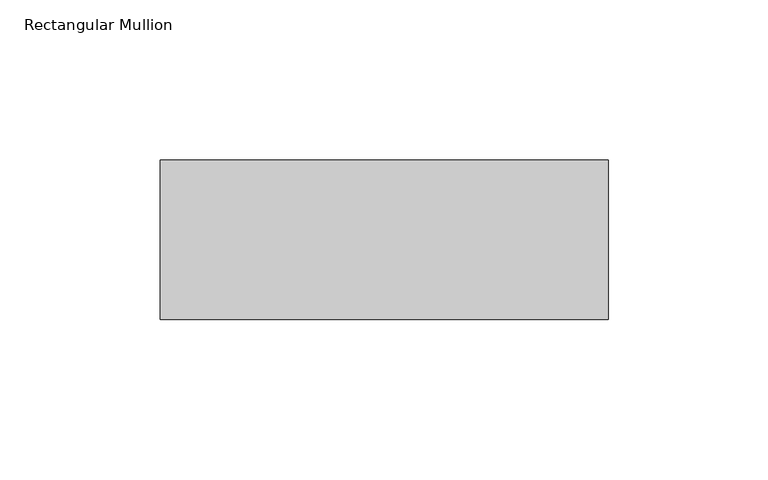
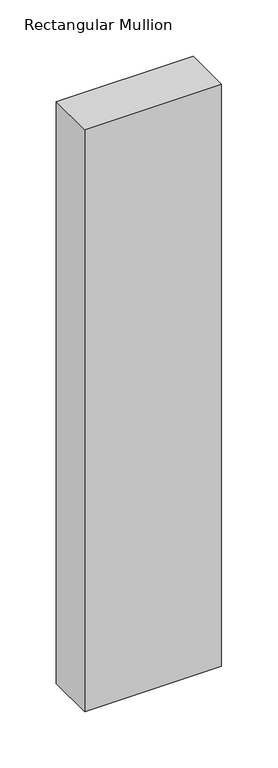
"""IFC4 building model written with IfcOpenShell, lengths in millimetres: member geometry, Rectangular Mullion."""

from ifc_helpers import new_model, si_unit, frame, origin, place, context, project, spatial, polyline, outline, extrude, source, transform, mapped, element, save


def rectangular_mullion_286b51f8(model_context):
    return source(origin(), model_context, "Body", "SweptSolid", [
        extrude(outline(polyline([(0.0, 59.0), (0.0, 9.0), (-140.0, 9.0), (-140.0, 59.0), (0.0, 59.0)])), frame((0.0, 0.0, -629.8333334), z_axis=(0.0, 0.0, 1.0), x_axis=(1.0, 0.0, 0.0)), (0.0, 0.0, 1.0), 629.8333334),
    ])


if __name__ == "__main__":
    model = new_model("IFC4")
    model_context = context("Model", 3, world=origin())
    ifc_project = project(units=[si_unit("LENGTHUNIT", "METRE", prefix="MILLI")], contexts=[model_context])
    site = spatial("IfcSite", under=ifc_project)
    building = spatial("IfcBuilding", under=site)
    placement = place(None, origin())
    rectangular_mullion_shape = rectangular_mullion_286b51f8(model_context)
    element("IfcMember", 1, ObjectType="Rectangular Mullion", at=placement, inside=building, context=model_context, shape_type="MappedRepresentation", body=[
        mapped(rectangular_mullion_shape, transform((0.0, 0.0, 0.0), x_axis=(1.0, 0.0, 0.0), y_axis=(0.0, 1.0, 0.0), z_axis=(0.0, 0.0, 1.0))),
    ])
    save(model, "model.ifc")
